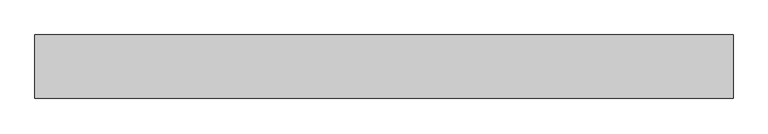
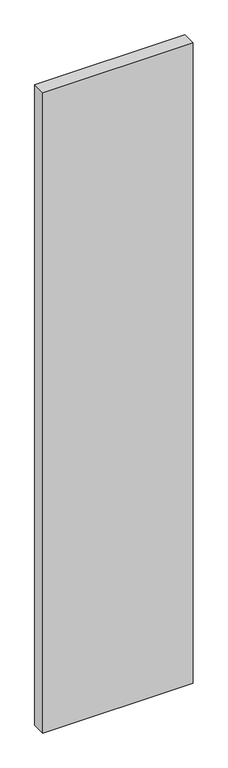
"""IFC4 building model written with IfcOpenShell, lengths in millimetres: proxy geometry."""

from ifc_helpers import new_model, si_unit, frame, origin, place, context, project, spatial, polyline, outline, extrude, source, transform, mapped, element, save


def generic_models_f85c642a(model_context):
    return source(origin(), model_context, "Body", "SweptSolid", [
        extrude(outline(polyline([(1100.0, 100.0), (1100.0, 0.0), (0.0, 0.0), (0.0, 100.0), (1100.0, 100.0)])), frame((0.0, 0.0, -4950.0), z_axis=(0.0, 0.0, 1.0), x_axis=(1.0, 0.0, 0.0)), (0.0, 0.0, 1.0), 4950.0),
    ])


if __name__ == "__main__":
    model = new_model("IFC4")
    model_context = context("Model", 3, world=origin())
    ifc_project = project(units=[si_unit("LENGTHUNIT", "METRE", prefix="MILLI")], contexts=[model_context])
    site = spatial("IfcSite", under=ifc_project)
    building = spatial("IfcBuilding", under=site)
    placement = place(None, origin())
    generic_models_shape = generic_models_f85c642a(model_context)
    element("IfcBuildingElementProxy", 1, Name="Generic Models", at=placement, inside=building, context=model_context, shape_type="MappedRepresentation", body=[
        mapped(generic_models_shape, transform((0.0, 0.0, 0.0), x_axis=(1.0, 0.0, 0.0), y_axis=(0.0, 1.0, 0.0), z_axis=(0.0, 0.0, 1.0))),
    ])
    save(model, "model.ifc")
